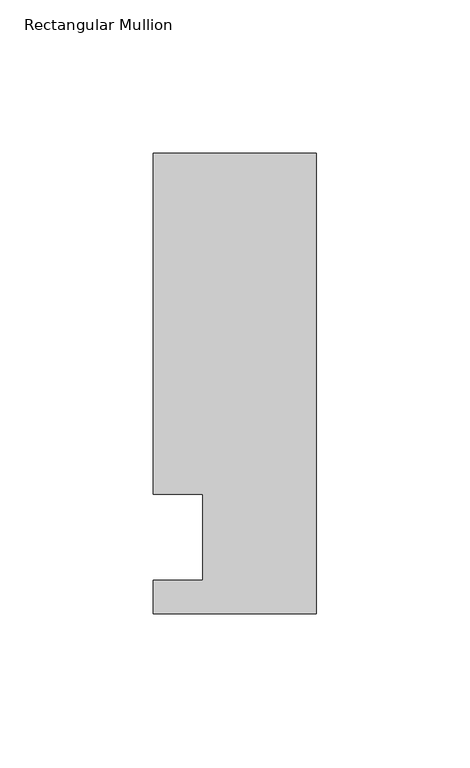
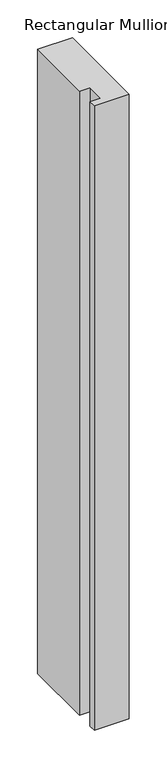
"""IFC4 building model written with IfcOpenShell, lengths in millimetres: member geometry, Rectangular Mullion."""

import ifcopenshell
import ifcopenshell.guid

model = None  # the IFC model being written
_history = None  # IfcOwnerHistory: only IFC2X3 demands one
_inside = {}  # id of a spatial element -> (the spatial element, [elements in it])
_under = {}  # id of a project, library or spatial element -> (it, [spatial elements below it])
_declared = {}  # id of a project -> (the project, [libraries it declares])
_typed = {}  # id of a type object -> (the type object, [elements of that type])
_made_of = {}  # id of a material, layer set ... -> (it, [elements and type objects made of it])


def new_model(schema):
    """Start an empty IFC model of exactly this schema.

    Asked for "IFC4X3", IfcOpenShell would pick the latest addendum, in which some entities
    have other attributes; the version numbers below select the first issue.
    IFC2X3 requires an IfcOwnerHistory on every rooted entity: one is made here for all.
    """
    global model, _history
    if schema == "IFC4X3":
        model = ifcopenshell.file(schema_version=(4, 3, 0, 0))
    else:
        model = ifcopenshell.file(schema=schema)
    _inside.clear()
    _under.clear()
    _declared.clear()
    _typed.clear()
    _made_of.clear()
    _history = None
    if model.schema == "IFC2X3":
        org = make("IfcOrganization", Name="unknown")
        user = make(
            "IfcPersonAndOrganization",
            ThePerson=make("IfcPerson", FamilyName="unknown"),
            TheOrganization=org,
        )
        app = make(
            "IfcApplication",
            ApplicationDeveloper=org,
            Version="unknown",
            ApplicationFullName="unknown",
            ApplicationIdentifier="unknown",
        )
        _history = make(
            "IfcOwnerHistory",
            OwningUser=user,
            OwningApplication=app,
            ChangeAction="ADDED",
            CreationDate=0,
        )
    return model


def make(cls, **values):
    """One entity of the class cls with the attributes given. An attribute that is None is left unset."""
    return model.create_entity(
        cls, **{name: value for name, value in values.items() if value is not None}
    )


def rooted(cls, **values):
    """An entity with a GlobalId (a new one), such as an element, a storey or a relation."""
    return make(cls, GlobalId=ifcopenshell.guid.new(), OwnerHistory=_history, **values)


def si_unit(unit_type, name, prefix=None):
    """IfcSIUnit, for example si_unit("LENGTHUNIT", "METRE", prefix="MILLI")."""
    return make("IfcSIUnit", UnitType=unit_type, Prefix=prefix, Name=name)


def assignment(units):
    """IfcUnitAssignment: the units of a project."""
    return None if units is None else make("IfcUnitAssignment", Units=units)


def point(xyz):
    """IfcCartesianPoint."""
    return None if xyz is None else make("IfcCartesianPoint", Coordinates=xyz)


def direction(xyz):
    """IfcDirection."""
    return None if xyz is None else make("IfcDirection", DirectionRatios=xyz)


def frame(location, z_axis=None, x_axis=None):
    """IfcAxis2Placement3D, a coordinate frame: its origin and axes. An axis left out is left unset."""
    return make(
        "IfcAxis2Placement3D",
        Location=point(location),
        Axis=direction(z_axis),
        RefDirection=direction(x_axis),
    )


def origin():
    """The frame at (0, 0, 0) with its axes left unset."""
    return frame((0.0, 0.0, 0.0))


def place(relative_to, where):
    """IfcLocalPlacement: puts the frame where relative to a parent placement (None: the world)."""
    return make(
        "IfcLocalPlacement", PlacementRelTo=relative_to, RelativePlacement=where
    )


def context(
    kind, dimensions, precision=None, world=None, true_north=None, identifier=None
):
    """IfcGeometricRepresentationContext, for example the 3D "Model" context."""
    return make(
        "IfcGeometricRepresentationContext",
        ContextIdentifier=identifier,
        ContextType=kind,
        CoordinateSpaceDimension=dimensions,
        Precision=precision,
        WorldCoordinateSystem=world,
        TrueNorth=true_north,
    )


def project(units=None, contexts=None):
    """IfcProject with its units and contexts."""
    return rooted(
        "IfcProject",
        Name="project",
        RepresentationContexts=contexts,
        UnitsInContext=assignment(units),
    )


def spatial(cls, under=None, at=None, **own):
    """A site, building, storey or space (cls), placed at a placement, below another one or the project."""
    s = rooted(cls, ObjectPlacement=at, **own)
    if under is not None:
        _under.setdefault(under.id(), (under, []))[1].append(s)
    return s


def polyline(points):
    """IfcPolyline through the points."""
    return make("IfcPolyline", Points=[point(p) for p in points])


def outline(outer, holes=None, kind="AREA"):
    """IfcArbitraryClosedProfileDef: a profile drawn as a closed curve; with holes, ...WithVoids."""
    if holes is None:
        return make("IfcArbitraryClosedProfileDef", ProfileType=kind, OuterCurve=outer)
    return make(
        "IfcArbitraryProfileDefWithVoids",
        ProfileType=kind,
        OuterCurve=outer,
        InnerCurves=holes,
    )


def extrude(swept, where, along, depth):
    """IfcExtrudedAreaSolid: the profile swept, set in the frame where, extruded along a direction by depth."""
    return make(
        "IfcExtrudedAreaSolid",
        SweptArea=swept,
        Position=where,
        ExtrudedDirection=direction(along),
        Depth=depth,
    )


def shape(context_of_items, identifier, shape_type, items):
    """IfcShapeRepresentation: the items that make up one representation, for example the "Body"."""
    return make(
        "IfcShapeRepresentation",
        ContextOfItems=context_of_items,
        RepresentationIdentifier=identifier,
        RepresentationType=shape_type,
        Items=items,
    )


def source(mapping_origin, context_of_items, identifier, shape_type, items):
    """IfcRepresentationMap: a shape defined once, which mapped items show again and again."""
    return make(
        "IfcRepresentationMap",
        MappingOrigin=mapping_origin,
        MappedRepresentation=shape(context_of_items, identifier, shape_type, items),
    )


def transform(
    local_origin,
    x_axis=None,
    y_axis=None,
    z_axis=None,
    scale=None,
    scale2=None,
    scale3=None,
    uniform=True,
):
    """IfcCartesianTransformationOperator3D, or its non-uniform kind. x_axis, y_axis, z_axis: its Axis1, 2, 3."""
    if uniform:
        return make(
            "IfcCartesianTransformationOperator3D",
            Axis1=direction(x_axis),
            Axis2=direction(y_axis),
            LocalOrigin=point(local_origin),
            Scale=scale,
            Axis3=direction(z_axis),
        )
    return make(
        "IfcCartesianTransformationOperator3DnonUniform",
        Axis1=direction(x_axis),
        Axis2=direction(y_axis),
        LocalOrigin=point(local_origin),
        Scale=scale,
        Axis3=direction(z_axis),
        Scale2=scale2,
        Scale3=scale3,
    )


def mapped(mapping_source, mapping_target):
    """IfcMappedItem: shows the shape of a source again, moved by a transform."""
    return make(
        "IfcMappedItem", MappingSource=mapping_source, MappingTarget=mapping_target
    )


def made_of(thing, what):
    """Note that an element or type object is made of a material, layer set ...; save() writes the relation."""
    if what is not None:
        _made_of.setdefault(what.id(), (what, []))[1].append(thing)
    return thing


def element(
    cls,
    number,
    at=None,
    inside=None,
    cuts=None,
    type_object=None,
    material=None,
    context=None,
    identifier="Body",
    shape_type=None,
    held_by="IfcProductDefinitionShape",
    body=None,
    shapes=None,
    **own,
):
    """One element of the class cls, such as IfcWall. Its Tag is "e" and its number.

    at: its placement. inside: the storey or other place that contains it. cuts: it is an
    opening in that element (IfcRelVoidsElement). A single representation is given by context,
    identifier, shape_type and body (its items); several are given by shapes. held_by: the class
    of the entity that holds the representations. save() writes the other relations.
    """
    e = rooted(cls, Tag="e%d" % number, ObjectPlacement=at, **own)
    if body is not None:
        shapes = [shape(context, identifier, shape_type, body)]
    if shapes is not None:
        e.Representation = make(held_by, Representations=shapes)
    if inside is not None:
        _inside.setdefault(inside.id(), (inside, []))[1].append(e)
    if cuts is not None:
        rooted(
            "IfcRelVoidsElement", RelatingBuildingElement=cuts, RelatedOpeningElement=e
        )
    if type_object is not None:
        _typed.setdefault(type_object.id(), (type_object, []))[1].append(e)
    return made_of(e, material)


def aggregate(whole, parts):
    """IfcRelAggregates: a whole, such as a stair, and the parts it consists of."""
    return rooted("IfcRelAggregates", RelatingObject=whole, RelatedObjects=parts)


def save(model, path):
    """Write the relations noted so far, then the file.

    IfcRelAggregates (storeys below a building ...), IfcRelContainedInSpatialStructure (elements
    in a storey), IfcRelDefinesByType, IfcRelAssociatesMaterial and IfcRelDeclares: one each for
    every whole, place, type object, material and project.
    """
    for whole, parts in _under.values():
        aggregate(whole, parts)
    for where, things in _inside.values():
        rooted(
            "IfcRelContainedInSpatialStructure",
            RelatedElements=things,
            RelatingStructure=where,
        )
    for kind, things in _typed.values():
        rooted("IfcRelDefinesByType", RelatedObjects=things, RelatingType=kind)
    for what, things in _made_of.values():
        rooted("IfcRelAssociatesMaterial", RelatedObjects=things, RelatingMaterial=what)
    for by, libraries in _declared.values():
        rooted("IfcRelDeclares", RelatingContext=by, RelatedDefinitions=libraries)
    model.write(path)


def rectangular_mullion_46531cb3(model_context):
    return source(origin(), model_context, "Body", "SweptSolid", [
        extrude(outline(polyline([(0.0, -25.0), (-53.0, -25.0), (-53.0, -14.0), (-37.0, -14.0), (-37.0, 14.0), (-53.0, 14.0), (-53.0, 125.0), (0.0, 125.0), (0.0, -25.0)])), frame((0.0, 0.0, -1006.6623342), z_axis=(0.0, 0.0, 1.0), x_axis=(1.0, 0.0, 0.0)), (0.0, 0.0, 1.0), 1006.6623342),
    ])


if __name__ == "__main__":
    model = new_model("IFC4")
    model_context = context("Model", 3, world=origin())
    ifc_project = project(units=[si_unit("LENGTHUNIT", "METRE", prefix="MILLI")], contexts=[model_context])
    site = spatial("IfcSite", under=ifc_project)
    building = spatial("IfcBuilding", under=site)
    placement = place(None, origin())
    rectangular_mullion_shape = rectangular_mullion_46531cb3(model_context)
    element("IfcMember", 1, ObjectType="Rectangular Mullion", at=placement, inside=building, context=model_context, shape_type="MappedRepresentation", body=[
        mapped(rectangular_mullion_shape, transform((0.0, 0.0, 0.0), x_axis=(1.0, 0.0, 0.0), y_axis=(0.0, 1.0, 0.0), z_axis=(0.0, 0.0, 1.0))),
    ])
    save(model, "model.ifc")
